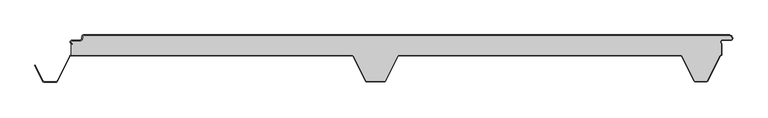
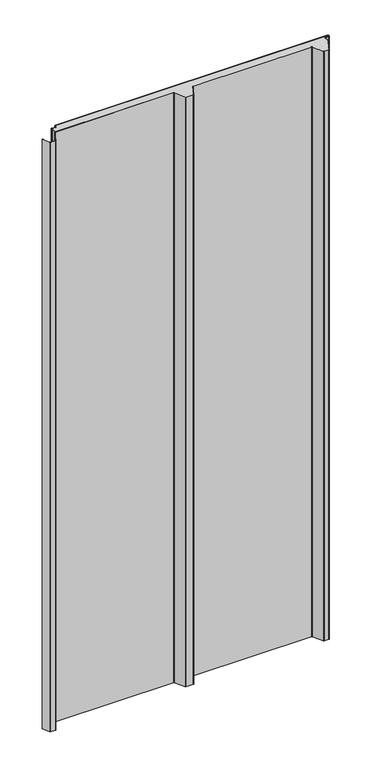
"""IFC4 building model written with IfcOpenShell, lengths in millimetres: proxy geometry."""

import ifcopenshell
import ifcopenshell.guid

model = None  # the IFC model being written
_history = None  # IfcOwnerHistory: only IFC2X3 demands one
_inside = {}  # id of a spatial element -> (the spatial element, [elements in it])
_under = {}  # id of a project, library or spatial element -> (it, [spatial elements below it])
_declared = {}  # id of a project -> (the project, [libraries it declares])
_typed = {}  # id of a type object -> (the type object, [elements of that type])
_made_of = {}  # id of a material, layer set ... -> (it, [elements and type objects made of it])


def new_model(schema):
    """Start an empty IFC model of exactly this schema.

    Asked for "IFC4X3", IfcOpenShell would pick the latest addendum, in which some entities
    have other attributes; the version numbers below select the first issue.
    IFC2X3 requires an IfcOwnerHistory on every rooted entity: one is made here for all.
    """
    global model, _history
    if schema == "IFC4X3":
        model = ifcopenshell.file(schema_version=(4, 3, 0, 0))
    else:
        model = ifcopenshell.file(schema=schema)
    _inside.clear()
    _under.clear()
    _declared.clear()
    _typed.clear()
    _made_of.clear()
    _history = None
    if model.schema == "IFC2X3":
        org = make("IfcOrganization", Name="unknown")
        user = make(
            "IfcPersonAndOrganization",
            ThePerson=make("IfcPerson", FamilyName="unknown"),
            TheOrganization=org,
        )
        app = make(
            "IfcApplication",
            ApplicationDeveloper=org,
            Version="unknown",
            ApplicationFullName="unknown",
            ApplicationIdentifier="unknown",
        )
        _history = make(
            "IfcOwnerHistory",
            OwningUser=user,
            OwningApplication=app,
            ChangeAction="ADDED",
            CreationDate=0,
        )
    return model


def make(cls, **values):
    """One entity of the class cls with the attributes given. An attribute that is None is left unset."""
    return model.create_entity(
        cls, **{name: value for name, value in values.items() if value is not None}
    )


def rooted(cls, **values):
    """An entity with a GlobalId (a new one), such as an element, a storey or a relation."""
    return make(cls, GlobalId=ifcopenshell.guid.new(), OwnerHistory=_history, **values)


def si_unit(unit_type, name, prefix=None):
    """IfcSIUnit, for example si_unit("LENGTHUNIT", "METRE", prefix="MILLI")."""
    return make("IfcSIUnit", UnitType=unit_type, Prefix=prefix, Name=name)


def assignment(units):
    """IfcUnitAssignment: the units of a project."""
    return None if units is None else make("IfcUnitAssignment", Units=units)


def point(xyz):
    """IfcCartesianPoint."""
    return None if xyz is None else make("IfcCartesianPoint", Coordinates=xyz)


def direction(xyz):
    """IfcDirection."""
    return None if xyz is None else make("IfcDirection", DirectionRatios=xyz)


def frame(location, z_axis=None, x_axis=None):
    """IfcAxis2Placement3D, a coordinate frame: its origin and axes. An axis left out is left unset."""
    return make(
        "IfcAxis2Placement3D",
        Location=point(location),
        Axis=direction(z_axis),
        RefDirection=direction(x_axis),
    )


def frame_2d(location, x_axis=None):
    """IfcAxis2Placement2D, a coordinate frame in the plane: its origin and x axis."""
    return make(
        "IfcAxis2Placement2D", Location=point(location), RefDirection=direction(x_axis)
    )


def origin():
    """The frame at (0, 0, 0) with its axes left unset."""
    return frame((0.0, 0.0, 0.0))


def origin_with_axes():
    """The frame at (0, 0, 0) with the z axis (0, 0, 1) and the x axis (1, 0, 0) written out."""
    return frame((0.0, 0.0, 0.0), z_axis=(0.0, 0.0, 1.0), x_axis=(1.0, 0.0, 0.0))


def place(relative_to, where):
    """IfcLocalPlacement: puts the frame where relative to a parent placement (None: the world)."""
    return make(
        "IfcLocalPlacement", PlacementRelTo=relative_to, RelativePlacement=where
    )


def context(
    kind, dimensions, precision=None, world=None, true_north=None, identifier=None
):
    """IfcGeometricRepresentationContext, for example the 3D "Model" context."""
    return make(
        "IfcGeometricRepresentationContext",
        ContextIdentifier=identifier,
        ContextType=kind,
        CoordinateSpaceDimension=dimensions,
        Precision=precision,
        WorldCoordinateSystem=world,
        TrueNorth=true_north,
    )


def project(units=None, contexts=None):
    """IfcProject with its units and contexts."""
    return rooted(
        "IfcProject",
        Name="project",
        RepresentationContexts=contexts,
        UnitsInContext=assignment(units),
    )


def spatial(cls, under=None, at=None, **own):
    """A site, building, storey or space (cls), placed at a placement, below another one or the project."""
    s = rooted(cls, ObjectPlacement=at, **own)
    if under is not None:
        _under.setdefault(under.id(), (under, []))[1].append(s)
    return s


def polyline(points):
    """IfcPolyline through the points."""
    return make("IfcPolyline", Points=[point(p) for p in points])


def circle_curve(where, radius):
    """IfcCircle in the frame where."""
    return make("IfcCircle", Position=where, Radius=radius)


def trimmed(basis, trim1, trim2, sense, master):
    """IfcTrimmedCurve: the piece of a basis curve between two trims."""
    return make(
        "IfcTrimmedCurve",
        BasisCurve=basis,
        Trim1=trim1,
        Trim2=trim2,
        SenseAgreement=sense,
        MasterRepresentation=master,
    )


def segment(curve, same_sense, transition):
    """IfcCompositeCurveSegment."""
    return make(
        "IfcCompositeCurveSegment",
        Transition=transition,
        SameSense=same_sense,
        ParentCurve=curve,
    )


def composite_curve(segments, self_intersect=None):
    """IfcCompositeCurve: segments joined end to end."""
    return make("IfcCompositeCurve", Segments=segments, SelfIntersect=self_intersect)


def outline(outer, holes=None, kind="AREA"):
    """IfcArbitraryClosedProfileDef: a profile drawn as a closed curve; with holes, ...WithVoids."""
    if holes is None:
        return make("IfcArbitraryClosedProfileDef", ProfileType=kind, OuterCurve=outer)
    return make(
        "IfcArbitraryProfileDefWithVoids",
        ProfileType=kind,
        OuterCurve=outer,
        InnerCurves=holes,
    )


def extrude(swept, where, along, depth):
    """IfcExtrudedAreaSolid: the profile swept, set in the frame where, extruded along a direction by depth."""
    return make(
        "IfcExtrudedAreaSolid",
        SweptArea=swept,
        Position=where,
        ExtrudedDirection=direction(along),
        Depth=depth,
    )


def shape(context_of_items, identifier, shape_type, items):
    """IfcShapeRepresentation: the items that make up one representation, for example the "Body"."""
    return make(
        "IfcShapeRepresentation",
        ContextOfItems=context_of_items,
        RepresentationIdentifier=identifier,
        RepresentationType=shape_type,
        Items=items,
    )


def source(mapping_origin, context_of_items, identifier, shape_type, items):
    """IfcRepresentationMap: a shape defined once, which mapped items show again and again."""
    return make(
        "IfcRepresentationMap",
        MappingOrigin=mapping_origin,
        MappedRepresentation=shape(context_of_items, identifier, shape_type, items),
    )


def transform(
    local_origin,
    x_axis=None,
    y_axis=None,
    z_axis=None,
    scale=None,
    scale2=None,
    scale3=None,
    uniform=True,
):
    """IfcCartesianTransformationOperator3D, or its non-uniform kind. x_axis, y_axis, z_axis: its Axis1, 2, 3."""
    if uniform:
        return make(
            "IfcCartesianTransformationOperator3D",
            Axis1=direction(x_axis),
            Axis2=direction(y_axis),
            LocalOrigin=point(local_origin),
            Scale=scale,
            Axis3=direction(z_axis),
        )
    return make(
        "IfcCartesianTransformationOperator3DnonUniform",
        Axis1=direction(x_axis),
        Axis2=direction(y_axis),
        LocalOrigin=point(local_origin),
        Scale=scale,
        Axis3=direction(z_axis),
        Scale2=scale2,
        Scale3=scale3,
    )


def mapped(mapping_source, mapping_target):
    """IfcMappedItem: shows the shape of a source again, moved by a transform."""
    return make(
        "IfcMappedItem", MappingSource=mapping_source, MappingTarget=mapping_target
    )


def made_of(thing, what):
    """Note that an element or type object is made of a material, layer set ...; save() writes the relation."""
    if what is not None:
        _made_of.setdefault(what.id(), (what, []))[1].append(thing)
    return thing


def element(
    cls,
    number,
    at=None,
    inside=None,
    cuts=None,
    type_object=None,
    material=None,
    context=None,
    identifier="Body",
    shape_type=None,
    held_by="IfcProductDefinitionShape",
    body=None,
    shapes=None,
    **own,
):
    """One element of the class cls, such as IfcWall. Its Tag is "e" and its number.

    at: its placement. inside: the storey or other place that contains it. cuts: it is an
    opening in that element (IfcRelVoidsElement). A single representation is given by context,
    identifier, shape_type and body (its items); several are given by shapes. held_by: the class
    of the entity that holds the representations. save() writes the other relations.
    """
    e = rooted(cls, Tag="e%d" % number, ObjectPlacement=at, **own)
    if body is not None:
        shapes = [shape(context, identifier, shape_type, body)]
    if shapes is not None:
        e.Representation = make(held_by, Representations=shapes)
    if inside is not None:
        _inside.setdefault(inside.id(), (inside, []))[1].append(e)
    if cuts is not None:
        rooted(
            "IfcRelVoidsElement", RelatingBuildingElement=cuts, RelatedOpeningElement=e
        )
    if type_object is not None:
        _typed.setdefault(type_object.id(), (type_object, []))[1].append(e)
    return made_of(e, material)


def aggregate(whole, parts):
    """IfcRelAggregates: a whole, such as a stair, and the parts it consists of."""
    return rooted("IfcRelAggregates", RelatingObject=whole, RelatedObjects=parts)


def save(model, path):
    """Write the relations noted so far, then the file.

    IfcRelAggregates (storeys below a building ...), IfcRelContainedInSpatialStructure (elements
    in a storey), IfcRelDefinesByType, IfcRelAssociatesMaterial and IfcRelDeclares: one each for
    every whole, place, type object, material and project.
    """
    for whole, parts in _under.values():
        aggregate(whole, parts)
    for where, things in _inside.values():
        rooted(
            "IfcRelContainedInSpatialStructure",
            RelatedElements=things,
            RelatingStructure=where,
        )
    for kind, things in _typed.values():
        rooted("IfcRelDefinesByType", RelatedObjects=things, RelatingType=kind)
    for what, things in _made_of.values():
        rooted("IfcRelAssociatesMaterial", RelatedObjects=things, RelatingMaterial=what)
    for by, libraries in _declared.values():
        rooted("IfcRelDeclares", RelatingContext=by, RelatedDefinitions=libraries)
    model.write(path)


def plane_surface(at):
    """IfcPlane: the flat surface through the origin of the frame at, square to its z axis."""
    return make("IfcPlane", Position=at)


def cylinder_surface(at, radius):
    """IfcCylindricalSurface: all points at the distance radius from the z axis of the frame at."""
    return make("IfcCylindricalSurface", Position=at, Radius=radius)


def revolved_surface(curve, axis_point, axis_direction):
    """IfcSurfaceOfRevolution: the curve turned about the line through axis_point along axis_direction."""
    return make(
        "IfcSurfaceOfRevolution",
        SweptCurve=make("IfcArbitraryOpenProfileDef", ProfileType="CURVE", Curve=curve),
        AxisPosition=make("IfcAxis1Placement", Location=point(axis_point), Axis=direction(axis_direction)),
    )


def advanced_brep(points, edges, surfaces, faces):
    """IfcAdvancedBrep: a solid bounded by faces that lie on surfaces and meet in shared edges.

    An edge is (start, end): straight between two places in points (the first is 0);
    or (start, end, curve); or (start, end, curve, False) where it runs against its curve.
    A face is (place in surfaces, loops), or (place, loops, False) where it looks against
    its surface's normal. A loop lists edges by number (the first is 1), with a minus sign
    where the edge is run from its end to its start. The first loop is the outer one.
    """
    corners = [point(p) for p in points]
    vertices = [make("IfcVertexPoint", VertexGeometry=c) for c in corners]
    made = []
    for start, end, *more in edges:
        made.append(
            make(
                "IfcEdgeCurve",
                EdgeStart=vertices[start],
                EdgeEnd=vertices[end],
                EdgeGeometry=more[0] if more else make("IfcPolyline", Points=[corners[start], corners[end]]),
                SameSense=more[1] if len(more) > 1 else True,
            )
        )
    hull = []
    for where, loops, *sense in faces:
        bounds = []
        for j, loop in enumerate(loops):
            ring = [make("IfcOrientedEdge", EdgeElement=made[abs(k) - 1], Orientation=k > 0) for k in loop]
            bounds.append(
                make(
                    "IfcFaceOuterBound" if j == 0 else "IfcFaceBound",
                    Bound=make("IfcEdgeLoop", EdgeList=ring),
                    Orientation=True,
                )
            )
        hull.append(make("IfcAdvancedFace", Bounds=bounds, FaceSurface=surfaces[where], SameSense=sense[0] if sense else True))
    return make("IfcAdvancedBrep", Outer=make("IfcClosedShell", CfsFaces=hull))


def generic_models_6875fe6b(model_context):
    return source(origin(), model_context, "Body", "SolidModel", [
        extrude(outline(composite_curve([segment(polyline([(548.7649646, -5.5), (547.9649646, -5.5)]), True, "CONTINUOUS"), segment(trimmed(circle_curve(frame_2d((543.2649646, -5.5)), 4.7), [point((547.9649646, -5.5))], [point((543.2649646, -0.8))], True, "CARTESIAN"), True, "CONTINUOUS"), segment(polyline([(543.2649646, -0.8), (-448.7436881, -0.8)]), True, "CONTINUOUS"), segment(trimmed(circle_curve(frame_2d((-448.7436881, -2.5)), 1.7), [point((-448.7436881, -0.8))], [point((-450.4436881, -2.5))], True, "CARTESIAN"), True, "CONTINUOUS"), segment(polyline([(-450.4436881, -2.5), (-450.4436881, -5.5)]), True, "CONTINUOUS"), segment(trimmed(circle_curve(frame_2d((-453.7436881, -5.5)), 3.3), [point((-450.4436881, -5.5))], [point((-453.7436881, -8.8))], False, "CARTESIAN"), True, "CONTINUOUS"), segment(polyline([(-453.7436881, -8.8), (-466.2436881, -8.8)]), True, "CONTINUOUS"), segment(trimmed(circle_curve(frame_2d((-466.2436881, -11.0)), 2.2), [point((-466.2436881, -8.8))], [point((-466.2436881, -13.2))], True, "CARTESIAN"), True, "CONTINUOUS"), segment(polyline([(-466.2436881, -13.2), (-466.2436881, -14.0)]), True, "CONTINUOUS"), segment(trimmed(circle_curve(frame_2d((-466.2436881, -11.0)), 3.0), [point((-466.2436881, -14.0))], [point((-466.2436881, -8.0))], False, "CARTESIAN"), True, "CONTINUOUS"), segment(polyline([(-466.2436881, -8.0), (-453.7436881, -8.0)]), True, "CONTINUOUS"), segment(trimmed(circle_curve(frame_2d((-453.7436881, -5.5)), 2.5), [point((-453.7436881, -8.0))], [point((-451.2436881, -5.5))], True, "CARTESIAN"), True, "CONTINUOUS"), segment(polyline([(-451.2436881, -5.5), (-451.2436881, -2.5)]), True, "CONTINUOUS"), segment(trimmed(circle_curve(frame_2d((-448.7436881, -2.5)), 2.5), [point((-451.2436881, -2.5))], [point((-448.7436881, 0.0))], False, "CARTESIAN"), True, "CONTINUOUS"), segment(polyline([(-448.7436881, 0.0), (543.2649646, 0.0)]), True, "CONTINUOUS"), segment(trimmed(circle_curve(frame_2d((543.2649646, -5.5)), 5.5), [point((543.2649646, 0.0))], [point((548.7649646, -5.5))], False, "CARTESIAN"), True, "CONTINUOUS")], self_intersect=False)), origin_with_axes(), (0.0, 0.0, 1.0), 2277.6075969),
        advanced_brep(
        [(-466.2436881, -13.2, 2277.6075969), (-466.2436881, -14.0, 2277.6075969), (-467.612692, -13.6694247, 2277.6075969), (-467.612692, -31.0, 2277.6075969), (-36.4222721, -31.0, 2277.6075969), (-33.6488557, -32.715023, 2277.6075969), (-14.9197036, -70.2201502, 2277.6075969), (-13.5777279, -71.05, 2277.6075969), (13.5777279, -71.05, 2277.6075969), (14.9197036, -70.2201502, 2277.6075969), (33.6488557, -32.715023, 2277.6075969), (36.4222721, -31.0, 2277.6075969), (468.5950334, -31.0, 2277.6075969), (471.3684498, -32.715023, 2277.6075969), (490.097602, -70.2201502, 2277.6075969), (491.4395777, -71.05, 2277.6075969), (508.577726, -71.05, 2277.6075969), (509.9186975, -70.2221572, 2277.6075969), (528.900782, -32.3523913, 2277.6075969), (531.587308, -30.2829331, 2277.6075969), (531.587308, -14.1201638, 2277.6075969), (533.7563119, -7.2, 2277.6075969), (546.2563119, -7.2, 2277.6075969), (547.9563119, -5.5, 2277.6075969), (543.2649646, -0.8, 2277.6075969), (-448.7436881, -0.8, 2277.6075969), (-450.4436881, -2.5, 2277.6075969), (-450.4436881, -5.5, 2277.6075969), (-453.7436881, -8.8, 2277.6075969), (-466.2436881, -8.8, 2277.6075969), (-466.2436881, -13.2, 0.0), (-466.2436881, -8.8, 0.0), (-453.7436881, -8.8, 0.0), (-450.4436881, -5.5, 0.0), (-450.4436881, -2.5, 0.0), (-448.7436881, -0.8, 0.0), (543.2649646, -0.8, 0.0), (547.9649646, -5.5, 0.0), (546.2563119, -7.2, 0.0), (533.7563119, -7.2, 0.0), (531.587308, -14.1201638, 0.0), (531.587308, -30.2829331, 0.0), (528.900782, -32.3523913, 0.0), (509.9186975, -70.2221572, 0.0), (508.577726, -71.05, 0.0), (491.4395777, -71.05, 0.0), (490.097602, -70.2201502, 0.0), (471.3684498, -32.715023, 0.0), (468.5950334, -31.0, 0.0), (36.4222721, -31.0, 0.0), (33.6488557, -32.715023, 0.0), (14.9197036, -70.2201502, 0.0), (13.5777279, -71.05, 0.0), (-13.5777279, -71.05, 0.0), (-14.9197036, -70.2201502, 0.0), (-33.6488557, -32.715023, 0.0), (-36.4222721, -31.0, 0.0), (-467.612692, -31.0, 0.0), (-467.612692, -13.6694247, 0.0), (-466.2436881, -14.0, 0.0)],
        [
            (0, 1),
            (1, 2, circle_curve(frame((-466.2436881, -11.0, 2277.6075969), z_axis=(0.0, 0.0, -1.0), x_axis=(1.0, 0.0, 0.0)), 3.0)),
            (2, 3),
            (3, 4),
            (4, 5, circle_curve(frame((-36.4222721, -34.1, 2277.6075969), z_axis=(0.0, 0.0, -1.0), x_axis=(1.0, 0.0, 0.0)), 3.1)),
            (5, 6),
            (6, 7, circle_curve(frame((-13.5777279, -69.55, 2277.6075969), z_axis=(0.0, 0.0, 1.0), x_axis=(1.0, 0.0, 0.0)), 1.5)),
            (7, 8),
            (8, 9, circle_curve(frame((13.5777279, -69.55, 2277.6075969), z_axis=(0.0, 0.0, 1.0), x_axis=(1.0, 0.0, 0.0)), 1.5)),
            (9, 10),
            (10, 11, circle_curve(frame((36.4222721, -34.1, 2277.6075969), z_axis=(0.0, 0.0, -1.0), x_axis=(1.0, 0.0, 0.0)), 3.1)),
            (11, 12),
            (12, 13, circle_curve(frame((468.5950334, -34.1, 2277.6075969), z_axis=(0.0, 0.0, -1.0), x_axis=(1.0, 0.0, 0.0)), 3.1)),
            (13, 14),
            (14, 15, circle_curve(frame((491.4395777, -69.55, 2277.6075969), z_axis=(0.0, 0.0, 1.0), x_axis=(1.0, 0.0, 0.0)), 1.5)),
            (15, 16),
            (16, 17, circle_curve(frame((508.577726, -69.55, 2277.6075969), z_axis=(0.0, 0.0, 1.0), x_axis=(1.0, 0.0, 0.0)), 1.5)),
            (17, 18),
            (18, 19, circle_curve(frame((532.387308, -34.1, 2277.6075969), z_axis=(0.0, 0.0, -1.0), x_axis=(1.0, 0.0, 0.0)), 3.9)),
            (19, 20),
            (20, 21, circle_curve(frame((533.7563119, -11.0, 2277.6075969), z_axis=(0.0, 0.0, -1.0), x_axis=(1.0, 0.0, 0.0)), 3.8)),
            (21, 22),
            (22, 23, circle_curve(frame((546.2563119, -5.5, 2277.6075969), z_axis=(0.0, 0.0, 1.0), x_axis=(1.0, 0.0, 0.0)), 1.7)),
            (23, 24, circle_curve(frame((543.2649646, -5.5, 2277.6075969), z_axis=(0.0, 0.0, 1.0), x_axis=(1.0, 0.0, 0.0)), 4.7)),
            (24, 25),
            (25, 26, circle_curve(frame((-448.7436881, -2.5, 2277.6075969), z_axis=(0.0, 0.0, 1.0), x_axis=(1.0, 0.0, 0.0)), 1.7)),
            (26, 27),
            (27, 28, circle_curve(frame((-453.7436881, -5.5, 2277.6075969), z_axis=(0.0, 0.0, -1.0), x_axis=(1.0, 0.0, 0.0)), 3.3)),
            (28, 29),
            (29, 0, circle_curve(frame((-466.2436881, -11.0, 2277.6075969), z_axis=(0.0, 0.0, 1.0), x_axis=(1.0, 0.0, 0.0)), 2.2)),
            (30, 31, circle_curve(frame((-466.2436881, -11.0, 0.0), z_axis=(0.0, 0.0, -1.0), x_axis=(1.0, 0.0, 0.0)), 2.2)),
            (31, 32),
            (32, 33, circle_curve(frame((-453.7436881, -5.5, 0.0), z_axis=(0.0, 0.0, 1.0), x_axis=(1.0, 0.0, 0.0)), 3.3)),
            (33, 34),
            (34, 35, circle_curve(frame((-448.7436881, -2.5, 0.0), z_axis=(0.0, 0.0, -1.0), x_axis=(1.0, 0.0, 0.0)), 1.7)),
            (35, 36),
            (36, 37, circle_curve(frame((543.2649646, -5.5, 0.0), z_axis=(0.0, 0.0, -1.0), x_axis=(1.0, 0.0, 0.0)), 4.7)),
            (37, 38, circle_curve(frame((546.2563119, -5.5, 0.0), z_axis=(0.0, 0.0, -1.0), x_axis=(1.0, 0.0, 0.0)), 1.7)),
            (38, 39),
            (39, 40, circle_curve(frame((533.7563119, -11.0, 0.0), z_axis=(0.0, 0.0, 1.0), x_axis=(1.0, 0.0, 0.0)), 3.8)),
            (40, 41),
            (41, 42, circle_curve(frame((532.387308, -34.1, 0.0), z_axis=(0.0, 0.0, 1.0), x_axis=(1.0, 0.0, 0.0)), 3.9)),
            (42, 43),
            (43, 44, circle_curve(frame((508.577726, -69.55, 0.0), z_axis=(0.0, 0.0, -1.0), x_axis=(1.0, 0.0, 0.0)), 1.5)),
            (44, 45),
            (45, 46, circle_curve(frame((491.4395777, -69.55, 0.0), z_axis=(0.0, 0.0, -1.0), x_axis=(1.0, 0.0, 0.0)), 1.5)),
            (46, 47),
            (47, 48, circle_curve(frame((468.5950334, -34.1, 0.0), z_axis=(0.0, 0.0, 1.0), x_axis=(1.0, 0.0, 0.0)), 3.1)),
            (48, 49),
            (49, 50, circle_curve(frame((36.4222721, -34.1, 0.0), z_axis=(0.0, 0.0, 1.0), x_axis=(1.0, 0.0, 0.0)), 3.1)),
            (50, 51),
            (51, 52, circle_curve(frame((13.5777279, -69.55, 0.0), z_axis=(0.0, 0.0, -1.0), x_axis=(1.0, 0.0, 0.0)), 1.5)),
            (52, 53),
            (53, 54, circle_curve(frame((-13.5777279, -69.55, 0.0), z_axis=(0.0, 0.0, -1.0), x_axis=(1.0, 0.0, 0.0)), 1.5)),
            (54, 55),
            (55, 56, circle_curve(frame((-36.4222721, -34.1, 0.0), z_axis=(0.0, 0.0, 1.0), x_axis=(1.0, 0.0, 0.0)), 3.1)),
            (56, 57),
            (57, 58),
            (58, 59, circle_curve(frame((-466.2436881, -11.0, 0.0), z_axis=(0.0, 0.0, 1.0), x_axis=(1.0, 0.0, 0.0)), 3.0)),
            (59, 30),
            (0, 30),
            (59, 1),
            (58, 2),
            (57, 3),
            (56, 4),
            (55, 5),
            (54, 6),
            (53, 7),
            (52, 8),
            (51, 9),
            (50, 10),
            (49, 11),
            (48, 12),
            (47, 13),
            (46, 14),
            (45, 15),
            (44, 16),
            (43, 17),
            (42, 18),
            (23, 37),
            (36, 24),
            (35, 25),
            (34, 26),
            (33, 27),
            (32, 28),
            (31, 29),
            (41, 19),
            (40, 20),
            (39, 21),
            (38, 22),
        ],
        [
            plane_surface(frame((-466.2436881, -14.0, 2277.6075969), z_axis=(0.0, 0.0, 1.0), x_axis=(0.0, -1.0, 0.0))),
            plane_surface(frame((-466.2436881, -14.0, 0.0), z_axis=(0.0, 0.0, -1.0), x_axis=(0.0, 1.0, 0.0))),
            plane_surface(frame((-466.2436881, -13.2, 2277.6075969), z_axis=(-1.0, 0.0, 0.0), x_axis=(0.0, 0.0, -1.0))),
            revolved_surface(polyline([(-463.2436881, -11.0, 0.0), (-463.2436881, -11.0, 2277.6075969)]), (-466.2436881, -11.0, 0.0), (0.0, 0.0, -1.0)),
            plane_surface(frame((-467.612692, -13.6694247, 2277.6075969), z_axis=(-1.0, 0.0, 0.0), x_axis=(0.0, 0.0, -1.0))),
            plane_surface(frame((-467.612692, -31.0, 2277.6075969), z_axis=(0.0, -1.0, 0.0), x_axis=(0.0, 0.0, -1.0))),
            revolved_surface(polyline([(-33.3222721, -34.1, 0.0), (-33.3222721, -34.1, 2277.6075969)]), (-36.4222721, -34.1, 0.0), (0.0, 0.0, -1.0)),
            plane_surface(frame((-33.6488557, -32.715023, 2277.6075969), z_axis=(-0.8946504628098966, -0.4467667729297223, 0.0), x_axis=(0.0, 0.0, -1.0))),
            cylinder_surface(frame((-13.5777279, -69.55, 0.0), z_axis=(0.0, 0.0, 1.0), x_axis=(1.0, 0.0, 0.0)), 1.5),
            plane_surface(frame((-13.5777279, -71.05, 2277.6075969), z_axis=(5.480851157301276e-12, -1.0, 0.0), x_axis=(0.0, 0.0, -1.0))),
            cylinder_surface(frame((13.5777279, -69.55, 0.0), z_axis=(0.0, 0.0, 1.0), x_axis=(1.0, 0.0, 0.0)), 1.5),
            plane_surface(frame((14.9197036, -70.2201502, 2277.6075969), z_axis=(0.894650462808013, -0.4467667729334942, 0.0), x_axis=(0.0, 0.0, -1.0))),
            revolved_surface(polyline([(39.5222721, -34.1, 0.0), (39.5222721, -34.1, 2277.6075969)]), (36.4222721, -34.1, 0.0), (0.0, 0.0, -1.0)),
            plane_surface(frame((36.4222721, -31.0, 2277.6075969), z_axis=(0.0, -1.0, 0.0), x_axis=(0.0, 0.0, -1.0))),
            revolved_surface(polyline([(471.6950334, -34.1, 0.0), (471.6950334, -34.1, 2277.6075969)]), (468.5950334, -34.1, 0.0), (0.0, 0.0, -1.0)),
            plane_surface(frame((471.3684498, -32.715023, 2277.6075969), z_axis=(-0.8946504628065555, -0.44676677293641287, 0.0), x_axis=(0.0, 0.0, -1.0))),
            cylinder_surface(frame((491.4395777, -69.55, 0.0), z_axis=(0.0, 0.0, 1.0), x_axis=(1.0, 0.0, 0.0)), 1.5),
            plane_surface(frame((491.4395777, -71.05, 2277.6075969), z_axis=(0.0, -1.0, 0.0), x_axis=(0.0, 0.0, -1.0))),
            cylinder_surface(frame((508.577726, -69.55, 0.0), z_axis=(0.0, 0.0, 1.0), x_axis=(1.0, 0.0, 0.0)), 1.5),
            plane_surface(frame((509.9186975, -70.2221572, 2277.6075969), z_axis=(0.8939810379181881, -0.44810479114010754, 0.0), x_axis=(0.0, 0.0, -1.0))),
            cylinder_surface(frame((543.2649646, -5.5, 0.0), z_axis=(0.0, 0.0, 1.0), x_axis=(1.0, 0.0, 0.0)), 4.7),
            plane_surface(frame((543.2649646, -0.8, 2277.6075969), z_axis=(0.0, 1.0, 0.0), x_axis=(0.0, 0.0, -1.0))),
            cylinder_surface(frame((-448.7436881, -2.5, 0.0), z_axis=(0.0, 0.0, 1.0), x_axis=(1.0, 0.0, 0.0)), 1.7),
            plane_surface(frame((-450.4436881, -2.5, 2277.6075969), z_axis=(-1.0, 0.0, 0.0), x_axis=(0.0, 0.0, -1.0))),
            revolved_surface(polyline([(-450.4436881, -5.5, 0.0), (-450.4436881, -5.5, 2277.6075969)]), (-453.7436881, -5.5, 0.0), (0.0, 0.0, -1.0)),
            plane_surface(frame((-453.7436881, -8.8, 2277.6075969), z_axis=(0.0, 1.0, 0.0), x_axis=(0.0, 0.0, -1.0))),
            cylinder_surface(frame((-466.2436881, -11.0, 0.0), z_axis=(0.0, 0.0, 1.0), x_axis=(1.0, 0.0, 0.0)), 2.2),
            revolved_surface(polyline([(536.2873079999999, -34.1, 0.0), (536.2873079999999, -34.1, 2277.6075969)]), (532.387308, -34.1, 0.0), (0.0, 0.0, -1.0)),
            plane_surface(frame((531.587308, -30.2829331, 2277.6075969), z_axis=(1.0, 0.0, 0.0), x_axis=(0.0, 0.0, -1.0))),
            revolved_surface(polyline([(537.5563119, -11.0, 0.0), (537.5563119, -11.0, 2277.6075969)]), (533.7563119, -11.0, 0.0), (0.0, 0.0, -1.0)),
            plane_surface(frame((533.7563119, -7.2, 2277.6075969), z_axis=(0.0, -1.0, 0.0), x_axis=(0.0, 0.0, -1.0))),
            cylinder_surface(frame((546.2563119, -5.5, 0.0), z_axis=(0.0, 0.0, 1.0), x_axis=(1.0, 0.0, 0.0)), 1.7),
        ],
        [
            (0, [[1, 2, 3, 4, 5, 6, 7, 8, 9, 10, 11, 12, 13, 14, 15, 16, 17, 18, 19, 20, 21, 22, 23, 24, 25, 26, 27, 28, 29, 30]]),
            (1, [[31, 32, 33, 34, 35, 36, 37, 38, 39, 40, 41, 42, 43, 44, 45, 46, 47, 48, 49, 50, 51, 52, 53, 54, 55, 56, 57, 58, 59, 60]]),
            (2, [[-1, 61, -60, 62]]),
            (3, [[-2, -62, -59, 63]]),
            (4, [[-3, -63, -58, 64]]),
            (5, [[-4, -64, -57, 65]]),
            (6, [[-5, -65, -56, 66]]),
            (7, [[-6, -66, -55, 67]]),
            (8, [[-7, -67, -54, 68]]),
            (9, [[-8, -68, -53, 69]]),
            (10, [[-9, -69, -52, 70]]),
            (11, [[-10, -70, -51, 71]]),
            (12, [[-11, -71, -50, 72]]),
            (13, [[-12, -72, -49, 73]]),
            (14, [[-13, -73, -48, 74]]),
            (15, [[-14, -74, -47, 75]]),
            (16, [[-15, -75, -46, 76]]),
            (17, [[-16, -76, -45, 77]]),
            (18, [[-17, -77, -44, 78]]),
            (19, [[-18, -78, -43, 79]]),
            (20, [[-24, 80, -37, 81]]),
            (21, [[-25, -81, -36, 82]]),
            (22, [[-26, -82, -35, 83]]),
            (23, [[-27, -83, -34, 84]]),
            (24, [[-28, -84, -33, 85]]),
            (25, [[-29, -85, -32, 86]]),
            (26, [[-30, -86, -31, -61]]),
            (27, [[-19, -79, -42, 87]]),
            (28, [[-20, -87, -41, 88]]),
            (29, [[-21, -88, -40, 89]]),
            (30, [[-22, -89, -39, 90]]),
            (31, [[-23, -90, -38, -80]]),
        ],
    ),
        extrude(outline(composite_curve([segment(polyline([(-523.5365904, -46.7174495), (-522.82087, -46.3600361), (-510.4107041, -71.2113932)]), True, "CONTINUOUS"), segment(trimmed(circle_curve(frame_2d((-509.0687284, -70.541243)), 1.5), [point((-510.4107041, -71.2113932))], [point((-509.0687284, -72.041243))], True, "CARTESIAN"), True, "CONTINUOUS"), segment(polyline([(-509.0687284, -72.041243), (-490.9312716, -72.041243)]), True, "CONTINUOUS"), segment(trimmed(circle_curve(frame_2d((-490.9312716, -70.541243)), 1.5), [point((-490.9312716, -72.041243))], [point((-489.5890038, -71.210808))], True, "CARTESIAN"), True, "CONTINUOUS"), segment(polyline([(-489.5890038, -71.210808), (-470.3867121, -32.7162325)]), True, "CONTINUOUS"), segment(trimmed(circle_curve(frame_2d((-467.612692, -34.1)), 3.1), [point((-470.3867121, -32.7162325))], [point((-467.612692, -31.0))], False, "CARTESIAN"), True, "CONTINUOUS"), segment(polyline([(-467.612692, -31.0), (-36.4222721, -31.0)]), True, "CONTINUOUS"), segment(trimmed(circle_curve(frame_2d((-36.4222721, -34.1)), 3.1), [point((-36.4222721, -31.0))], [point((-33.6488557, -32.715023))], False, "CARTESIAN"), True, "CONTINUOUS"), segment(polyline([(-33.6488557, -32.715023), (-14.9197036, -70.2201502)]), True, "CONTINUOUS"), segment(trimmed(circle_curve(frame_2d((-13.5777279, -69.55)), 1.5), [point((-14.9197036, -70.2201502))], [point((-13.5777279, -71.05))], True, "CARTESIAN"), True, "CONTINUOUS"), segment(polyline([(-13.5777279, -71.05), (13.5777279, -71.05)]), True, "CONTINUOUS"), segment(trimmed(circle_curve(frame_2d((13.5777279, -69.55)), 1.5), [point((13.5777279, -71.05))], [point((14.9197036, -70.2201502))], True, "CARTESIAN"), True, "CONTINUOUS"), segment(polyline([(14.9197036, -70.2201502), (33.6488557, -32.715023)]), True, "CONTINUOUS"), segment(trimmed(circle_curve(frame_2d((36.4222721, -34.1)), 3.1), [point((33.6488557, -32.715023))], [point((36.4222721, -31.0))], False, "CARTESIAN"), True, "CONTINUOUS"), segment(polyline([(36.4222721, -31.0), (468.5950334, -31.0)]), True, "CONTINUOUS"), segment(trimmed(circle_curve(frame_2d((468.5950334, -34.1)), 3.1), [point((468.5950334, -31.0))], [point((471.3684498, -32.715023))], False, "CARTESIAN"), True, "CONTINUOUS"), segment(polyline([(471.3684498, -32.715023), (490.097602, -70.2201502)]), True, "CONTINUOUS"), segment(trimmed(circle_curve(frame_2d((491.4395777, -69.55)), 1.5), [point((490.097602, -70.2201502))], [point((491.4395777, -71.05))], True, "CARTESIAN"), True, "CONTINUOUS"), segment(polyline([(491.4395777, -71.05), (508.577725, -71.05)]), True, "CONTINUOUS"), segment(trimmed(circle_curve(frame_2d((508.577725, -69.55)), 1.5), [point((508.577725, -71.05))], [point((509.9186965, -70.2221572))], True, "CARTESIAN"), True, "CONTINUOUS"), segment(polyline([(509.9186965, -70.2221572), (528.900782, -32.3523912)]), True, "CONTINUOUS"), segment(trimmed(circle_curve(frame_2d((532.387308, -34.1)), 3.9), [point((528.900782, -32.3523912))], [point((531.587308, -30.2829331))], False, "CARTESIAN"), True, "CONTINUOUS"), segment(polyline([(531.587308, -30.2829331), (531.587308, -14.1201638)]), True, "CONTINUOUS"), segment(trimmed(circle_curve(frame_2d((533.7563119, -11.0)), 3.8), [point((531.587308, -14.1201638))], [point((533.7563119, -7.2))], False, "CARTESIAN"), True, "CONTINUOUS"), segment(polyline([(533.7563119, -7.2), (546.2563119, -7.2)]), True, "CONTINUOUS"), segment(trimmed(circle_curve(frame_2d((546.2563119, -5.5)), 1.7), [point((546.2563119, -7.2))], [point((547.9563119, -5.5))], True, "CARTESIAN"), True, "CONTINUOUS"), segment(polyline([(547.9563119, -5.5), (548.7563119, -5.5)]), True, "CONTINUOUS"), segment(trimmed(circle_curve(frame_2d((546.2563119, -5.5)), 2.5), [point((548.7563119, -5.5))], [point((546.2563119, -8.0))], False, "CARTESIAN"), True, "CONTINUOUS"), segment(polyline([(546.2563119, -8.0), (533.7563119, -8.0)]), True, "CONTINUOUS"), segment(trimmed(circle_curve(frame_2d((533.7563119, -11.0)), 3.0), [point((533.7563119, -8.0))], [point((532.387308, -13.6694247))], True, "CARTESIAN"), True, "CONTINUOUS"), segment(polyline([(532.387308, -13.6694247), (532.387308, -31.0)]), True, "CONTINUOUS"), segment(trimmed(circle_curve(frame_2d((532.387308, -34.1)), 3.1), [point((532.387308, -31.0))], [point((529.6159668, -32.7108751))], True, "CARTESIAN"), True, "CONTINUOUS"), segment(polyline([(529.6159668, -32.7108751), (510.6338814, -70.5806411)]), True, "CONTINUOUS"), segment(trimmed(circle_curve(frame_2d((508.577725, -69.55)), 2.3), [point((510.6338814, -70.5806411))], [point((508.577725, -71.85))], False, "CARTESIAN"), True, "CONTINUOUS"), segment(polyline([(508.577725, -71.85), (491.4395777, -71.85)]), True, "CONTINUOUS"), segment(trimmed(circle_curve(frame_2d((491.4395777, -69.55)), 2.3), [point((491.4395777, -71.85))], [point((489.3818816, -70.5775636))], False, "CARTESIAN"), True, "CONTINUOUS"), segment(polyline([(489.3818816, -70.5775636), (470.6527295, -33.0724364)]), True, "CONTINUOUS"), segment(trimmed(circle_curve(frame_2d((468.5950334, -34.1)), 2.3), [point((470.6527295, -33.0724364))], [point((468.5950334, -31.8))], True, "CARTESIAN"), True, "CONTINUOUS"), segment(polyline([(468.5950334, -31.8), (36.4222721, -31.8)]), True, "CONTINUOUS"), segment(trimmed(circle_curve(frame_2d((36.4222721, -34.1)), 2.3), [point((36.4222721, -31.8))], [point((34.3645761, -33.0724364))], True, "CARTESIAN"), True, "CONTINUOUS"), segment(polyline([(34.3645761, -33.0724364), (15.6354239, -70.5775636)]), True, "CONTINUOUS"), segment(trimmed(circle_curve(frame_2d((13.5777279, -69.55)), 2.3), [point((15.6354239, -70.5775636))], [point((13.5777279, -71.85))], False, "CARTESIAN"), True, "CONTINUOUS"), segment(polyline([(13.5777279, -71.85), (-13.5777279, -71.85)]), True, "CONTINUOUS"), segment(trimmed(circle_curve(frame_2d((-13.5777279, -69.55)), 2.3), [point((-13.5777279, -71.85))], [point((-15.6354239, -70.5775636))], False, "CARTESIAN"), True, "CONTINUOUS"), segment(polyline([(-15.6354239, -70.5775636), (-34.3645761, -33.0724364)]), True, "CONTINUOUS"), segment(trimmed(circle_curve(frame_2d((-36.4222721, -34.1)), 2.3), [point((-34.3645761, -33.0724364))], [point((-36.4222721, -31.8))], True, "CARTESIAN"), True, "CONTINUOUS"), segment(polyline([(-36.4222721, -31.8), (-467.612692, -31.8)]), True, "CONTINUOUS"), segment(trimmed(circle_curve(frame_2d((-467.612692, -34.1)), 2.3), [point((-467.612692, -31.8))], [point((-469.6708359, -33.0733338))], True, "CARTESIAN"), True, "CONTINUOUS"), segment(polyline([(-469.6708359, -33.0733338), (-488.8731276, -71.5679093)]), True, "CONTINUOUS"), segment(trimmed(circle_curve(frame_2d((-490.9312716, -70.541243)), 2.3), [point((-488.8731276, -71.5679093))], [point((-490.9312716, -72.841243))], False, "CARTESIAN"), True, "CONTINUOUS"), segment(polyline([(-490.9312716, -72.841243), (-509.0687284, -72.841243)]), True, "CONTINUOUS"), segment(trimmed(circle_curve(frame_2d((-509.0687284, -70.541243)), 2.3), [point((-509.0687284, -72.841243))], [point((-511.1264245, -71.5688066))], False, "CARTESIAN"), True, "CONTINUOUS"), segment(polyline([(-511.1264245, -71.5688066), (-523.5365904, -46.7174495)]), True, "CONTINUOUS")], self_intersect=False)), origin_with_axes(), (0.0, 0.0, 1.0), 2277.6075969),
    ])


if __name__ == "__main__":
    model = new_model("IFC4")
    model_context = context("Model", 3, world=origin())
    ifc_project = project(units=[si_unit("LENGTHUNIT", "METRE", prefix="MILLI")], contexts=[model_context])
    site = spatial("IfcSite", under=ifc_project)
    building = spatial("IfcBuilding", under=site)
    placement = place(None, origin())
    generic_models_shape = generic_models_6875fe6b(model_context)
    element("IfcBuildingElementProxy", 1, Name="Generic Models", at=placement, inside=building, context=model_context, shape_type="MappedRepresentation", body=[
        mapped(generic_models_shape, transform((0.0, 0.0, 0.0), x_axis=(1.0, 0.0, 0.0), y_axis=(0.0, 1.0, 0.0), z_axis=(0.0, 0.0, 1.0))),
    ])
    save(model, "model.ifc")
